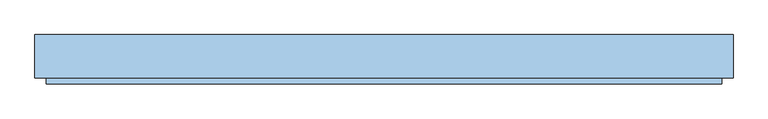
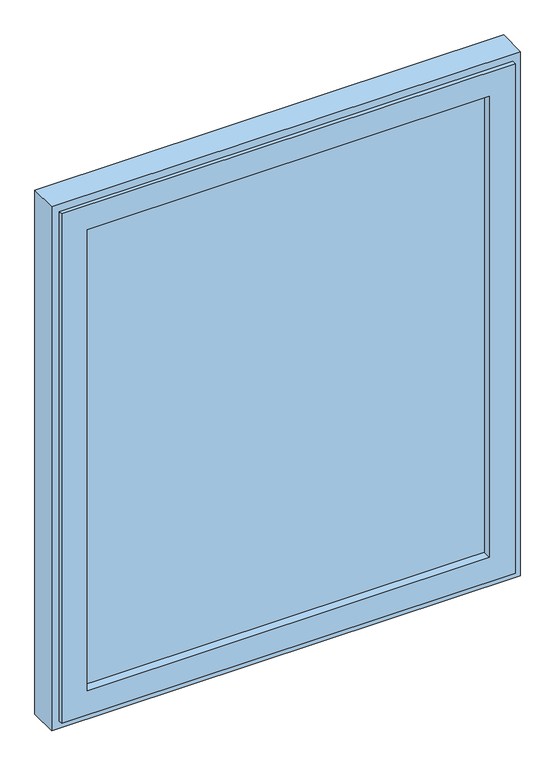
"""IFC4 building model written with IfcOpenShell, lengths in millimetres: window geometry."""

from ifc_helpers import new_model, si_unit, frame, origin, place, context, project, spatial, polyline, outline, extrude, faceted_brep, source, transform, mapped, element, save


def window_7f3d7f6f(model_context):
    return source(origin(), model_context, "Body", "SolidModel", [
        extrude(outline(polyline([(477.0, -17.2), (-477.0, -17.2), (-477.0, 24.8), (477.0, 24.8), (477.0, -17.2)])), frame((0.0, 0.0, 973.0), z_axis=(0.0, 0.0, 1.0), x_axis=(1.0, 0.0, 0.0)), (0.0, 0.0, 1.0), 1154.0),
        faceted_brep([(532.0, -29.7, 2182.0), (532.0, -38.7, 2182.0), (532.0, -38.7, 918.0), (532.0, -29.7, 918.0), (-532.0, -38.7, 2182.0), (-532.0, -38.7, 918.0), (472.0, -38.7, 978.0), (-472.0, -38.7, 978.0), (-472.0, -38.7, 2122.0), (472.0, -38.7, 2122.0), (-532.0, -29.7, 918.0), (-532.0, -29.7, 2182.0), (519.5, -29.7, 2169.5), (-519.5, -29.7, 2169.5), (-519.5, -29.7, 930.5), (519.5, -29.7, 930.5), (519.5, 33.3, 2169.5), (519.5, 33.3, 930.5), (-519.5, 33.3, 930.5), (-519.5, 33.3, 2169.5), (477.0, 33.3, 2127.0), (-477.0, 33.3, 2127.0), (-477.0, 33.3, 973.0), (477.0, 33.3, 973.0), (477.0, -17.2, 2127.0), (477.0, -17.2, 973.0), (-477.0, -17.2, 973.0), (-477.0, -17.2, 2127.0), (472.0, -17.2, 2122.0), (-472.0, -17.2, 2122.0), (-472.0, -17.2, 978.0), (472.0, -17.2, 978.0)], [[[0, 1, 2, 3]], [[1, 4, 5, 2], [6, 7, 8, 9]], [[3, 2, 5, 10]], [[3, 10, 11, 0], [12, 13, 14, 15]], [[16, 12, 15, 17]], [[17, 15, 14, 18]], [[17, 18, 19, 16], [20, 21, 22, 23]], [[24, 20, 23, 25]], [[25, 23, 22, 26]], [[25, 26, 27, 24], [28, 29, 30, 31]], [[9, 28, 31, 6]], [[6, 31, 30, 7]], [[10, 5, 4, 11]], [[18, 14, 13, 19]], [[26, 22, 21, 27]], [[7, 30, 29, 8]], [[11, 4, 1, 0]], [[19, 13, 12, 16]], [[27, 21, 20, 24]], [[8, 29, 28, 9]]]),
        faceted_brep([(482.0, 33.8, 2132.0), (482.0, 38.8, 2132.0), (482.0, 38.8, 968.0), (482.0, 33.8, 968.0), (550.0, 38.8, 900.0), (-550.0, 38.8, 900.0), (-550.0, 38.8, 2200.0), (550.0, 38.8, 2200.0), (-482.0, 38.8, 2132.0), (-482.0, 38.8, 968.0), (-482.0, 33.8, 968.0), (526.0, 33.8, 2176.0), (-526.0, 33.8, 2176.0), (-526.0, 33.8, 924.0), (526.0, 33.8, 924.0), (-482.0, 33.8, 2132.0), (526.0, -29.2, 2176.0), (526.0, -29.2, 924.0), (-526.0, -29.2, 924.0), (550.0, -29.2, 2200.0), (-550.0, -29.2, 2200.0), (-550.0, -29.2, 900.0), (550.0, -29.2, 900.0), (-526.0, -29.2, 2176.0)], [[[0, 1, 2, 3]], [[4, 5, 6, 7], [1, 8, 9, 2]], [[3, 2, 9, 10]], [[11, 12, 13, 14], [3, 10, 15, 0]], [[16, 11, 14, 17]], [[17, 14, 13, 18]], [[19, 20, 21, 22], [17, 18, 23, 16]], [[7, 19, 22, 4]], [[4, 22, 21, 5]], [[10, 9, 8, 15]], [[18, 13, 12, 23]], [[5, 21, 20, 6]], [[15, 8, 1, 0]], [[23, 12, 11, 16]], [[6, 20, 19, 7]]]),
    ])


if __name__ == "__main__":
    model = new_model("IFC4")
    model_context = context("Model", 3, world=origin())
    ifc_project = project(units=[si_unit("LENGTHUNIT", "METRE", prefix="MILLI")], contexts=[model_context])
    site = spatial("IfcSite", under=ifc_project)
    building = spatial("IfcBuilding", under=site)
    placement = place(None, origin())
    window_shape = window_7f3d7f6f(model_context)
    element("IfcWindow", 1, at=placement, inside=building, context=model_context, shape_type="MappedRepresentation", body=[
        mapped(window_shape, transform((0.0, 0.0, 0.0), x_axis=(1.0, 0.0, 0.0), y_axis=(0.0, 1.0, 0.0), z_axis=(0.0, 0.0, 1.0))),
    ])
    save(model, "model.ifc")
